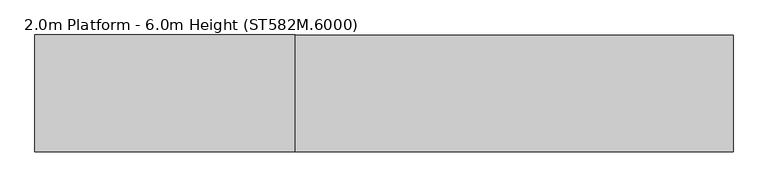
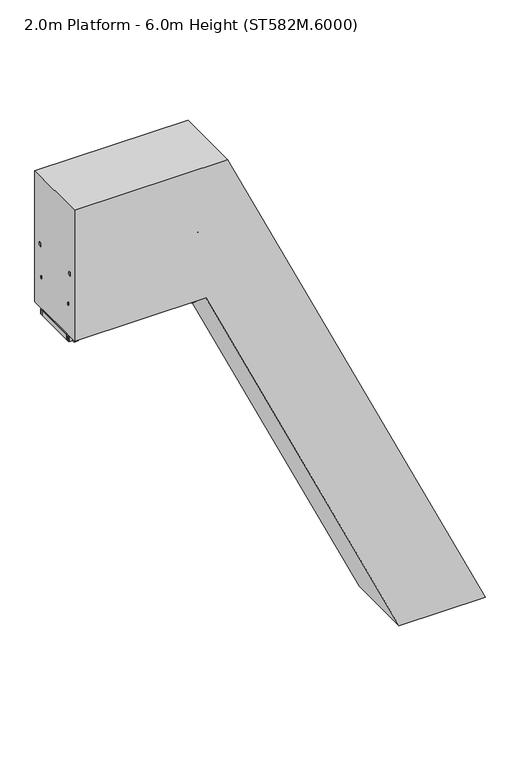
"""IFC4 building model written with IfcOpenShell, lengths in millimetres: proxy geometry, 2.0m Platform - 6.0m Height (ST582M.6000)."""

from ifc_helpers import new_model, si_unit, point, frame, frame_2d, origin, origin_with_axes, place, context, project, spatial, polyline, circle_curve, ellipse_curve, trimmed, segment, composite_curve, outline, extrude, source, transform, mapped, element, save
from ifc_brep_helpers import plane_surface, cylinder_surface, advanced_brep


def proxy_2_0m_platform_6_0m_height_st582m_6000_e8dffca8(model_context):
    return source(origin(), model_context, "Body", "SolidModel", [
        extrude(outline(polyline([(250.0, 2277.2962564), (170.0, 2314.600864), (170.0, 2424.9386611), (250.0, 2387.6340485), (250.0, 2277.2962564)])), frame((0.0, 298.5, 0.0), z_axis=(0.0, 1.0, 0.0), x_axis=(0.0, 0.0, 1.0)), (0.0, 0.0, 1.0), 6.0),
        extrude(outline(polyline([(250.0, 2277.2962564), (170.0, 2314.600864), (170.0, 2424.9386611), (250.0, 2387.6340485), (250.0, 2277.2962564)])), frame((0.0, -304.5, 0.0), z_axis=(0.0, 1.0, 0.0), x_axis=(0.0, 0.0, 1.0)), (0.0, 0.0, 1.0), 6.0),
        extrude(outline(polyline([(250.0, 2284.4682127), (212.0999991, 2302.141271), (212.0999991, 2304.3480268), (247.0, 2288.0738913), (247.0, 2386.8262156), (212.0999991, 2403.1003533), (212.0999991, 2405.3071091), (250.0, 2387.6340485), (250.0, 2367.2063073), (249.2749538, 2366.8682127), (250.0, 2366.5301182), (250.0, 2346.6063073), (249.2749538, 2346.2682127), (250.0, 2345.9301182), (250.0, 2326.0063073), (249.2749538, 2325.6682127), (250.0, 2325.3301182), (250.0, 2305.4063073), (249.2749538, 2305.0682127), (250.0, 2304.7301182), (250.0, 2284.4682127)])), frame((0.0, -298.5, 0.0), z_axis=(0.0, 1.0, 0.0), x_axis=(0.0, 0.0, 1.0)), (0.0, 0.0, 1.0), 597.0),
        extrude(outline(polyline([(-396.8328319, -304.5), (-434.8328319, -304.5), (-434.8328319, 304.5), (-396.8328319, 304.5), (-396.8328319, -304.5)])), frame((0.0, 0.0, 5901.0), z_axis=(0.0, 0.0, 1.0), x_axis=(1.0, 0.0, 0.0)), (0.0, 0.0, 1.0), 80.0),
        extrude(outline(polyline([(-1866.8328319, -304.5), (-1904.8328319, -304.5), (-1904.8328319, 304.5), (-1866.8328319, 304.5), (-1866.8328319, -304.5)])), frame((0.0, 0.0, 5923.0), z_axis=(0.0, 0.0, 1.0), x_axis=(1.0, 0.0, 0.0)), (0.0, 0.0, 1.0), 58.0),
        extrude(outline(polyline([(-1376.8328319, -304.5), (-1414.8328319, -304.5), (-1414.8328319, 304.5), (-1376.8328319, 304.5), (-1376.8328319, -304.5)])), frame((0.0, 0.0, 5923.0), z_axis=(0.0, 0.0, 1.0), x_axis=(1.0, 0.0, 0.0)), (0.0, 0.0, 1.0), 58.0),
        extrude(outline(polyline([(-886.8328319, -304.5), (-924.8328319, -304.5), (-924.8328319, 304.5), (-886.8328319, 304.5), (-886.8328319, -304.5)])), frame((0.0, 0.0, 5923.0), z_axis=(0.0, 0.0, 1.0), x_axis=(1.0, 0.0, 0.0)), (0.0, 0.0, 1.0), 58.0),
        extrude(outline(composite_curve([segment(polyline([(353.0, 6478.0), (353.0, 6468.0)]), True, "CONTINUOUS"), segment(trimmed(circle_curve(frame_2d((338.0, 6468.0)), 15.0), [point((353.0, 6468.0))], [point((323.0, 6468.0))], False, "CARTESIAN"), True, "CONTINUOUS"), segment(polyline([(323.0, 6468.0), (323.0, 6478.0)]), True, "CONTINUOUS"), segment(trimmed(circle_curve(frame_2d((338.0, 6478.0)), 15.0), [point((323.0, 6478.0))], [point((353.0, 6478.0))], False, "CARTESIAN"), True, "CONTINUOUS")], self_intersect=False)), frame((-2396.8328319, 0.0, 0.0), z_axis=(1.0, 0.0, 0.0), x_axis=(0.0, 1.0, 0.0)), (0.0, 0.0, 1.0), 1985.0),
        extrude(outline(composite_curve([segment(trimmed(circle_curve(frame_2d((-338.0, 6478.0)), 15.0), [point((-353.0, 6478.0))], [point((-323.0, 6478.0))], False, "CARTESIAN"), True, "CONTINUOUS"), segment(polyline([(-323.0, 6478.0), (-323.0, 6468.0)]), True, "CONTINUOUS"), segment(trimmed(circle_curve(frame_2d((-338.0, 6468.0)), 15.0), [point((-323.0, 6468.0))], [point((-353.0, 6468.0))], False, "CARTESIAN"), True, "CONTINUOUS"), segment(polyline([(-353.0, 6468.0), (-353.0, 6478.0)]), True, "CONTINUOUS")], self_intersect=False)), frame((-2396.8328319, 0.0, 0.0), z_axis=(1.0, 0.0, 0.0), x_axis=(0.0, 1.0, 0.0)), (0.0, 0.0, 1.0), 1985.0),
        extrude(outline(polyline([(-692.8328319, 353.0), (-532.8328319, 353.0), (-532.8328319, 343.0), (-692.8328319, 343.0), (-692.8328319, 353.0)])), frame((0.0, 0.0, 5901.0), z_axis=(0.0, 0.0, 1.0), x_axis=(1.0, 0.0, 0.0)), (0.0, 0.0, 1.0), 80.0),
        extrude(outline(polyline([(-692.8328319, -343.0), (-532.8328319, -343.0), (-532.8328319, -353.0), (-692.8328319, -353.0), (-692.8328319, -343.0)])), frame((0.0, 0.0, 5901.0), z_axis=(0.0, 0.0, 1.0), x_axis=(1.0, 0.0, 0.0)), (0.0, 0.0, 1.0), 80.0),
        extrude(outline(polyline([(-583.8328319, 391.0), (-583.8328319, 353.0), (-641.8328319, 353.0), (-641.8328319, 391.0), (-583.8328319, 391.0)])), frame((0.0, 0.0, 5901.0), z_axis=(0.0, 0.0, 1.0), x_axis=(1.0, 0.0, 0.0)), (0.0, 0.0, 1.0), 1029.0),
        extrude(outline(polyline([(-583.8328319, -353.0), (-583.8328319, -391.0), (-641.8328319, -391.0), (-641.8328319, -353.0), (-583.8328319, -353.0)])), frame((0.0, 0.0, 5901.0), z_axis=(0.0, 0.0, 1.0), x_axis=(1.0, 0.0, 0.0)), (0.0, 0.0, 1.0), 1029.0),
        advanced_brep(
        [(-556.8328319, 372.0, 6942.0), (-556.8328319, 372.0, 6987.0), (-544.1016939, 372.0, 6942.0), (-515.4337404, 372.0, 6987.0), (-513.5569732, 372.0, 6876.4977609), (-472.773248, 372.0, 6895.5158512)],
        [
            (0, 1, circle_curve(frame((-556.8328319, 372.0, 6964.5), z_axis=(-1.0, 0.0, 0.0), x_axis=(0.0, 0.0, 1.0)), 22.5)),
            (1, 0, circle_curve(frame((-556.8328319, 372.0, 6964.5), z_axis=(-1.0, 0.0, 0.0), x_axis=(0.0, 0.0, 1.0)), 22.5)),
            (0, 2),
            (2, 3, ellipse_curve(frame((-529.7677171, 372.0, 6964.5), z_axis=(-0.8433932143582917, 0.0, 0.5372968322765254), x_axis=(-0.5372968322765252, 0.0, -0.8433932143582918)), 26.6779476, 22.5)),
            (3, 1),
            (3, 2, ellipse_curve(frame((-529.7677171, 372.0, 6964.5), z_axis=(-0.8433932143582917, 0.0, 0.5372968322765254), x_axis=(-0.5372968322765252, 0.0, -0.8433932143582918)), 26.6779476, 22.5)),
            (4, 5, circle_curve(frame((-493.1651106, 372.0, 6886.0068061), z_axis=(0.4226242280512229, 0.0, -0.9063050048764533), x_axis=(0.9063050048764533, 0.0, 0.4226242280512229)), 22.5)),
            (5, 4, circle_curve(frame((-493.1651106, 372.0, 6886.0068061), z_axis=(0.4226242280512229, 0.0, -0.9063050048764533), x_axis=(0.9063050048764533, 0.0, 0.4226242280512229)), 22.5)),
            (2, 4),
            (5, 3),
        ],
        [
            plane_surface(frame((-556.8328319, 0.0, 6987.0), z_axis=(-1.0, 0.0, 0.0), x_axis=(0.0, -1.0, 0.0))),
            cylinder_surface(frame((-556.8328319, 372.0, 6964.5), z_axis=(-1.0, 0.0, 0.0), x_axis=(0.0, 0.0, 1.0)), 22.5),
            plane_surface(frame((-472.773248, 0.0, 6895.5158512), z_axis=(0.4226242280512229, 0.0, -0.9063050048764533), x_axis=(0.0, -1.0, 0.0))),
            cylinder_surface(frame((-535.825603, 372.0, 6977.4909549), z_axis=(-0.4226242280512229, 0.0, 0.9063050048764533), x_axis=(0.9063050048764533, 0.0, 0.4226242280512229)), 22.5),
        ],
        [
            (0, [[1, 2]]),
            (1, [[-1, 3, 4, 5]]),
            (1, [[-2, -5, 6, -3]]),
            (2, [[7, 8]]),
            (3, [[-4, 9, -8, 10]]),
            (3, [[-6, -10, -7, -9]]),
        ],
    ),
        advanced_brep(
        [(-556.8328319, -372.0, 6942.0), (-556.8328319, -372.0, 6987.0), (-544.1016939, -372.0, 6942.0), (-515.4337404, -372.0, 6987.0), (-513.5569732, -372.0, 6876.4977609), (-472.773248, -372.0, 6895.5158512)],
        [
            (0, 1, circle_curve(frame((-556.8328319, -372.0, 6964.5), z_axis=(-1.0, 0.0, 0.0), x_axis=(0.0, 0.0, 1.0)), 22.5)),
            (1, 0, circle_curve(frame((-556.8328319, -372.0, 6964.5), z_axis=(-1.0, 0.0, 0.0), x_axis=(0.0, 0.0, 1.0)), 22.5)),
            (0, 2),
            (2, 3, ellipse_curve(frame((-529.7677171, -372.0, 6964.5), z_axis=(-0.8433932143582917, 0.0, 0.5372968322765254), x_axis=(-0.5372968322765252, 0.0, -0.8433932143582918)), 26.6779476, 22.5)),
            (3, 1),
            (3, 2, ellipse_curve(frame((-529.7677171, -372.0, 6964.5), z_axis=(-0.8433932143582917, 0.0, 0.5372968322765254), x_axis=(-0.5372968322765252, 0.0, -0.8433932143582918)), 26.6779476, 22.5)),
            (4, 5, circle_curve(frame((-493.1651106, -372.0, 6886.0068061), z_axis=(0.4226242280512229, 0.0, -0.9063050048764533), x_axis=(0.9063050048764533, 0.0, 0.4226242280512229)), 22.5)),
            (5, 4, circle_curve(frame((-493.1651106, -372.0, 6886.0068061), z_axis=(0.4226242280512229, 0.0, -0.9063050048764533), x_axis=(0.9063050048764533, 0.0, 0.4226242280512229)), 22.5)),
            (2, 4),
            (5, 3),
        ],
        [
            plane_surface(frame((-556.8328319, 0.0, 6987.0), z_axis=(-1.0, 0.0, 0.0), x_axis=(0.0, -1.0, 0.0))),
            cylinder_surface(frame((-556.8328319, -372.0, 6964.5), z_axis=(-1.0, 0.0, 0.0), x_axis=(0.0, 0.0, 1.0)), 22.5),
            plane_surface(frame((-472.773248, 0.0, 6895.5158512), z_axis=(0.4226242280512229, 0.0, -0.9063050048764533), x_axis=(0.0, -1.0, 0.0))),
            cylinder_surface(frame((-535.825603, -372.0, 6977.4909549), z_axis=(-0.4226242280512229, 0.0, 0.9063050048764533), x_axis=(0.9063050048764533, 0.0, 0.4226242280512229)), 22.5),
        ],
        [
            (0, [[1, 2]]),
            (1, [[-1, 3, 4, 5]]),
            (1, [[-2, -5, 6, -3]]),
            (2, [[7, 8]]),
            (3, [[-4, 9, -8, 10]]),
            (3, [[-6, -10, -7, -9]]),
        ],
    ),
        extrude(outline(polyline([(-2358.8328319, -304.5), (-2396.8328319, -304.5), (-2396.8328319, 304.5), (-2358.8328319, 304.5), (-2358.8328319, -304.5)])), frame((0.0, 0.0, 5901.0), z_axis=(0.0, 0.0, 1.0), x_axis=(1.0, 0.0, 0.0)), (0.0, 0.0, 1.0), 80.0),
        extrude(outline(composite_curve([segment(polyline([(349.5, 6930.0), (349.5, 6964.5)]), True, "CONTINUOUS"), segment(trimmed(circle_curve(frame_2d((372.0, 6964.5)), 22.5), [point((349.5, 6964.5))], [point((394.5, 6964.5))], False, "CARTESIAN"), True, "CONTINUOUS"), segment(polyline([(394.5, 6964.5), (394.5, 6930.0), (349.5, 6930.0)]), True, "CONTINUOUS")], self_intersect=False)), frame((-2396.8328319, 0.0, 0.0), z_axis=(1.0, 0.0, 0.0), x_axis=(0.0, 1.0, 0.0)), (0.0, 0.0, 1.0), 1840.0),
        extrude(outline(composite_curve([segment(polyline([(-349.5, 6930.0), (-394.5, 6930.0), (-394.5, 6964.5)]), True, "CONTINUOUS"), segment(trimmed(circle_curve(frame_2d((-372.0, 6964.5)), 22.5), [point((-394.5, 6964.5))], [point((-349.5, 6964.5))], False, "CARTESIAN"), True, "CONTINUOUS"), segment(polyline([(-349.5, 6964.5), (-349.5, 6930.0)]), True, "CONTINUOUS")], self_intersect=False)), frame((-2396.8328319, 0.0, 0.0), z_axis=(1.0, 0.0, 0.0), x_axis=(0.0, 1.0, 0.0)), (0.0, 0.0, 1.0), 1840.0),
        extrude(outline(polyline([(-2232.8328319, 353.0), (-2232.8328319, 343.0), (-2392.8328319, 343.0), (-2392.8328319, 353.0), (-2232.8328319, 353.0)])), frame((0.0, 0.0, 5901.0), z_axis=(0.0, 0.0, 1.0), x_axis=(1.0, 0.0, 0.0)), (0.0, 0.0, 1.0), 80.0),
        extrude(outline(polyline([(-2232.8328319, -343.0), (-2232.8328319, -353.0), (-2392.8328319, -353.0), (-2392.8328319, -343.0), (-2232.8328319, -343.0)])), frame((0.0, 0.0, 5901.0), z_axis=(0.0, 0.0, 1.0), x_axis=(1.0, 0.0, 0.0)), (0.0, 0.0, 1.0), 80.0),
        extrude(outline(polyline([(-2283.8328319, 391.0), (-2283.8328319, 353.0), (-2341.8328319, 353.0), (-2341.8328319, 391.0), (-2283.8328319, 391.0)])), frame((0.0, 0.0, 5901.0), z_axis=(0.0, 0.0, 1.0), x_axis=(1.0, 0.0, 0.0)), (0.0, 0.0, 1.0), 1029.0),
        extrude(outline(polyline([(-2283.8328319, -353.0), (-2283.8328319, -391.0), (-2341.8328319, -391.0), (-2341.8328319, -353.0), (-2283.8328319, -353.0)])), frame((0.0, 0.0, 5901.0), z_axis=(0.0, 0.0, 1.0), x_axis=(1.0, 0.0, 0.0)), (0.0, 0.0, 1.0), 1029.0),
        extrude(outline(polyline([(-396.8328319, 343.0), (-396.8328319, 304.5), (-2396.8328319, 304.5), (-2396.8328319, 343.0), (-396.8328319, 343.0)])), frame((0.0, 0.0, 5901.0), z_axis=(0.0, 0.0, 1.0), x_axis=(1.0, 0.0, 0.0)), (0.0, 0.0, 1.0), 80.0),
        extrude(outline(polyline([(-396.8328319, -304.5), (-396.8328319, -343.0), (-2396.8328319, -343.0), (-2396.8328319, -304.5), (-396.8328319, -304.5)])), frame((0.0, 0.0, 5901.0), z_axis=(0.0, 0.0, 1.0), x_axis=(1.0, 0.0, 0.0)), (0.0, 0.0, 1.0), 80.0),
        extrude(outline(polyline([(-399.8328319, 297.5), (-399.8328319, -297.5), (-2393.8328319, -297.5), (-2393.8328319, 297.5), (-399.8328319, 297.5)])), frame((0.0, 0.0, 5984.0), z_axis=(0.0, 0.0, 1.0), x_axis=(1.0, 0.0, 0.0)), (0.0, 0.0, 1.0), 13.0),
        extrude(outline(polyline([(6000.0, -414.8328319), (5997.0, -414.8328319), (5997.0, -399.8328319), (5984.0, -399.8328319), (5984.0, -414.8328319), (5981.0, -414.8328319), (5981.0, -396.8328319), (6000.0, -396.8328319), (6000.0, -414.8328319)])), frame((0.0, -297.5, 0.0), z_axis=(0.0, 1.0, 0.0), x_axis=(0.0, 0.0, 1.0)), (0.0, 0.0, 1.0), 595.0),
        extrude(outline(polyline([(6000.0, -2378.8328319), (6000.0, -2396.8328319), (5981.0, -2396.8328319), (5981.0, -2378.8328319), (5984.0, -2378.8328319), (5984.0, -2393.8328319), (5997.0, -2393.8328319), (5997.0, -2378.8328319), (6000.0, -2378.8328319)])), frame((0.0, -297.5, 0.0), z_axis=(0.0, 1.0, 0.0), x_axis=(0.0, 0.0, 1.0)), (0.0, 0.0, 1.0), 595.0),
        extrude(outline(polyline([(5981.0, -287.140843), (5981.0, -476.8328319), (5901.0, -476.8328319), (5901.0, -249.8362303), (5981.0, -287.140843)])), frame((0.0, 344.0, 0.0), z_axis=(0.0, 1.0, 0.0), x_axis=(0.0, 0.0, 1.0)), (0.0, 0.0, 1.0), 6.0),
        extrude(outline(polyline([(5981.0, -284.7751404), (5981.0, -476.8328319), (5901.0, -476.8328319), (5901.0, -247.4705278), (5981.0, -284.7751404)])), frame((0.0, -350.0, 0.0), z_axis=(0.0, 1.0, 0.0), x_axis=(0.0, 0.0, 1.0)), (0.0, 0.0, 1.0), 6.0),
        extrude(outline(polyline([(-304.5, 80.0), (-304.5, 0.0), (-343.0, 0.0), (-343.0, 80.0), (-304.5, 80.0)])), frame((2413.1428835, 0.0, 6.0), z_axis=(-0.4226182617406976, 0.0, 0.9063077870366508), x_axis=(0.0, -1.0, 0.0)), (0.0, 0.0, 1.0), 6613.6472463),
        extrude(outline(polyline([(343.0, 80.0), (343.0, 0.0), (304.5, 0.0), (304.5, 80.0), (343.0, 80.0)])), frame((2413.1428835, 0.0, 6.0), z_axis=(-0.4226182617406976, 0.0, 0.9063077870366508), x_axis=(0.0, -1.0, 0.0)), (0.0, 0.0, 1.0), 6613.6472463),
        extrude(outline(polyline([(141.9461681, 2438.0203778), (108.1367071, 2365.5157548), (6.0, 2413.1428835), (6.0, 2501.413117), (141.9461681, 2438.0203778)])), frame((0.0, 344.0, 0.0), z_axis=(0.0, 1.0, 0.0), x_axis=(0.0, 0.0, 1.0)), (0.0, 0.0, 1.0), 6.0),
        extrude(outline(polyline([(141.9461681, 2438.0203778), (108.1367071, 2365.5157548), (6.0, 2413.1428835), (6.0, 2501.413117), (141.9461681, 2438.0203778)])), frame((0.0, -350.0, 0.0), z_axis=(0.0, 1.0, 0.0), x_axis=(0.0, 0.0, 1.0)), (0.0, 0.0, 1.0), 6.0),
        extrude(outline(polyline([(2507.313117, 358.0), (2507.313117, -358.0), (2407.313117, -358.0), (2407.313117, 358.0), (2507.313117, 358.0)])), origin_with_axes(), (0.0, 0.0, 1.0), 6.0),
        extrude(outline(polyline([(6000.0, -493.6655493), (0.0, 2304.2124419), (0.0, 3552.4223427), (8000.0, -178.0816456), (8000.0, -2396.8328319), (6000.0, -2396.8328319), (6000.0, -493.6655493)])), frame((0.0, -498.0, 0.0), z_axis=(0.0, 1.0, 0.0), x_axis=(0.0, 0.0, 1.0)), (0.0, 0.0, 1.0), 996.0),
    ])


if __name__ == "__main__":
    model = new_model("IFC4")
    model_context = context("Model", 3, world=origin())
    ifc_project = project(units=[si_unit("LENGTHUNIT", "METRE", prefix="MILLI")], contexts=[model_context])
    site = spatial("IfcSite", under=ifc_project)
    building = spatial("IfcBuilding", under=site)
    placement = place(None, origin())
    proxy_2_0m_platform_6_0m_height_st582m_6000_shape = proxy_2_0m_platform_6_0m_height_st582m_6000_e8dffca8(model_context)
    element("IfcBuildingElementProxy", 1, Name="2.0m Platform - 6.0m Height (ST582M.6000)", ObjectType="2.0m Platform - 6.0m Height (ST582M.6000)", at=placement, inside=building, context=model_context, shape_type="MappedRepresentation", body=[
        mapped(proxy_2_0m_platform_6_0m_height_st582m_6000_shape, transform((0.0, 0.0, 0.0), x_axis=(1.0, 0.0, 0.0), y_axis=(0.0, 1.0, 0.0), z_axis=(0.0, 0.0, 1.0))),
    ])
    save(model, "model.ifc")
